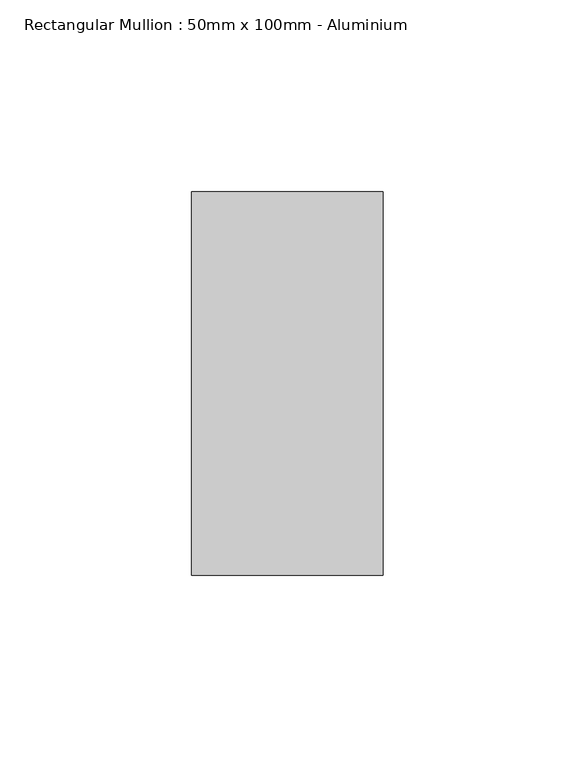
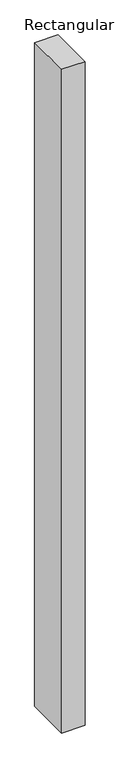
"""IFC4 building model written with IfcOpenShell, lengths in millimetres: member geometry, Rectangular Mullion : 50mm x 100mm - Aluminium."""

from ifc_helpers import new_model, si_unit, frame, origin, place, context, project, spatial, polyline, outline, extrude, source, transform, mapped, element, save


def rectangular_mullion_50mm_x_100mm_aluminium_3bdb59d8(model_context):
    return source(origin(), model_context, "Body", "SweptSolid", [
        extrude(outline(polyline([(0.0, 50.0), (0.0, -50.0), (-50.0, -50.0), (-50.0, 50.0), (0.0, 50.0)])), frame((0.0, 0.0, -1500.0), z_axis=(0.0, 0.0, 1.0), x_axis=(1.0, 0.0, 0.0)), (0.0, 0.0, 1.0), 1500.0),
    ])


if __name__ == "__main__":
    model = new_model("IFC4")
    model_context = context("Model", 3, world=origin())
    ifc_project = project(units=[si_unit("LENGTHUNIT", "METRE", prefix="MILLI")], contexts=[model_context])
    site = spatial("IfcSite", under=ifc_project)
    building = spatial("IfcBuilding", under=site)
    placement = place(None, origin())
    rectangular_mullion_50mm_x_100mm_aluminium_shape = rectangular_mullion_50mm_x_100mm_aluminium_3bdb59d8(model_context)
    element("IfcMember", 1, ObjectType="Rectangular Mullion : 50mm x 100mm - Aluminium", at=placement, inside=building, context=model_context, shape_type="MappedRepresentation", body=[
        mapped(rectangular_mullion_50mm_x_100mm_aluminium_shape, transform((0.0, 0.0, 0.0), x_axis=(1.0, 0.0, 0.0), y_axis=(0.0, 1.0, 0.0), z_axis=(0.0, 0.0, 1.0))),
    ])
    save(model, "model.ifc")
